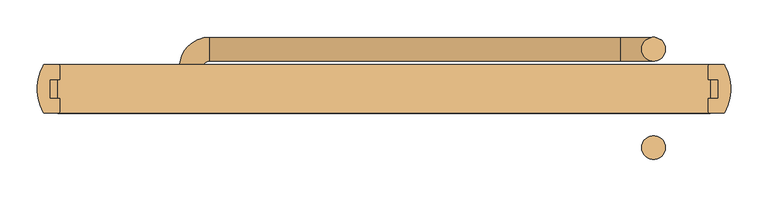
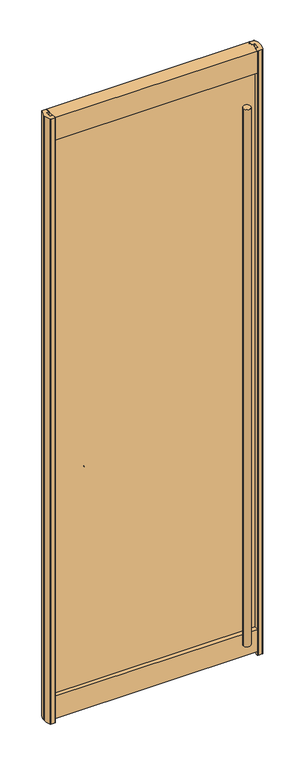
"""IFC4 building model written with IfcOpenShell, lengths in millimetres: door geometry."""

import ifcopenshell
import ifcopenshell.guid

model = None  # the IFC model being written
_history = None  # IfcOwnerHistory: only IFC2X3 demands one
_inside = {}  # id of a spatial element -> (the spatial element, [elements in it])
_under = {}  # id of a project, library or spatial element -> (it, [spatial elements below it])
_declared = {}  # id of a project -> (the project, [libraries it declares])
_typed = {}  # id of a type object -> (the type object, [elements of that type])
_made_of = {}  # id of a material, layer set ... -> (it, [elements and type objects made of it])


def new_model(schema):
    """Start an empty IFC model of exactly this schema.

    Asked for "IFC4X3", IfcOpenShell would pick the latest addendum, in which some entities
    have other attributes; the version numbers below select the first issue.
    IFC2X3 requires an IfcOwnerHistory on every rooted entity: one is made here for all.
    """
    global model, _history
    if schema == "IFC4X3":
        model = ifcopenshell.file(schema_version=(4, 3, 0, 0))
    else:
        model = ifcopenshell.file(schema=schema)
    _inside.clear()
    _under.clear()
    _declared.clear()
    _typed.clear()
    _made_of.clear()
    _history = None
    if model.schema == "IFC2X3":
        org = make("IfcOrganization", Name="unknown")
        user = make(
            "IfcPersonAndOrganization",
            ThePerson=make("IfcPerson", FamilyName="unknown"),
            TheOrganization=org,
        )
        app = make(
            "IfcApplication",
            ApplicationDeveloper=org,
            Version="unknown",
            ApplicationFullName="unknown",
            ApplicationIdentifier="unknown",
        )
        _history = make(
            "IfcOwnerHistory",
            OwningUser=user,
            OwningApplication=app,
            ChangeAction="ADDED",
            CreationDate=0,
        )
    return model


def make(cls, **values):
    """One entity of the class cls with the attributes given. An attribute that is None is left unset."""
    return model.create_entity(
        cls, **{name: value for name, value in values.items() if value is not None}
    )


def rooted(cls, **values):
    """An entity with a GlobalId (a new one), such as an element, a storey or a relation."""
    return make(cls, GlobalId=ifcopenshell.guid.new(), OwnerHistory=_history, **values)


def si_unit(unit_type, name, prefix=None):
    """IfcSIUnit, for example si_unit("LENGTHUNIT", "METRE", prefix="MILLI")."""
    return make("IfcSIUnit", UnitType=unit_type, Prefix=prefix, Name=name)


def assignment(units):
    """IfcUnitAssignment: the units of a project."""
    return None if units is None else make("IfcUnitAssignment", Units=units)


def point(xyz):
    """IfcCartesianPoint."""
    return None if xyz is None else make("IfcCartesianPoint", Coordinates=xyz)


def direction(xyz):
    """IfcDirection."""
    return None if xyz is None else make("IfcDirection", DirectionRatios=xyz)


def frame(location, z_axis=None, x_axis=None):
    """IfcAxis2Placement3D, a coordinate frame: its origin and axes. An axis left out is left unset."""
    return make(
        "IfcAxis2Placement3D",
        Location=point(location),
        Axis=direction(z_axis),
        RefDirection=direction(x_axis),
    )


def frame_2d(location, x_axis=None):
    """IfcAxis2Placement2D, a coordinate frame in the plane: its origin and x axis."""
    return make(
        "IfcAxis2Placement2D", Location=point(location), RefDirection=direction(x_axis)
    )


def origin():
    """The frame at (0, 0, 0) with its axes left unset."""
    return frame((0.0, 0.0, 0.0))


def origin_with_axes():
    """The frame at (0, 0, 0) with the z axis (0, 0, 1) and the x axis (1, 0, 0) written out."""
    return frame((0.0, 0.0, 0.0), z_axis=(0.0, 0.0, 1.0), x_axis=(1.0, 0.0, 0.0))


def place(relative_to, where):
    """IfcLocalPlacement: puts the frame where relative to a parent placement (None: the world)."""
    return make(
        "IfcLocalPlacement", PlacementRelTo=relative_to, RelativePlacement=where
    )


def context(
    kind, dimensions, precision=None, world=None, true_north=None, identifier=None
):
    """IfcGeometricRepresentationContext, for example the 3D "Model" context."""
    return make(
        "IfcGeometricRepresentationContext",
        ContextIdentifier=identifier,
        ContextType=kind,
        CoordinateSpaceDimension=dimensions,
        Precision=precision,
        WorldCoordinateSystem=world,
        TrueNorth=true_north,
    )


def project(units=None, contexts=None):
    """IfcProject with its units and contexts."""
    return rooted(
        "IfcProject",
        Name="project",
        RepresentationContexts=contexts,
        UnitsInContext=assignment(units),
    )


def spatial(cls, under=None, at=None, **own):
    """A site, building, storey or space (cls), placed at a placement, below another one or the project."""
    s = rooted(cls, ObjectPlacement=at, **own)
    if under is not None:
        _under.setdefault(under.id(), (under, []))[1].append(s)
    return s


def polyline(points):
    """IfcPolyline through the points."""
    return make("IfcPolyline", Points=[point(p) for p in points])


def circle_curve(where, radius):
    """IfcCircle in the frame where."""
    return make("IfcCircle", Position=where, Radius=radius)


def ellipse_curve(where, semi_axis1, semi_axis2):
    """IfcEllipse in the frame where."""
    return make(
        "IfcEllipse", Position=where, SemiAxis1=semi_axis1, SemiAxis2=semi_axis2
    )


def trimmed(basis, trim1, trim2, sense, master):
    """IfcTrimmedCurve: the piece of a basis curve between two trims."""
    return make(
        "IfcTrimmedCurve",
        BasisCurve=basis,
        Trim1=trim1,
        Trim2=trim2,
        SenseAgreement=sense,
        MasterRepresentation=master,
    )


def segment(curve, same_sense, transition):
    """IfcCompositeCurveSegment."""
    return make(
        "IfcCompositeCurveSegment",
        Transition=transition,
        SameSense=same_sense,
        ParentCurve=curve,
    )


def composite_curve(segments, self_intersect=None):
    """IfcCompositeCurve: segments joined end to end."""
    return make("IfcCompositeCurve", Segments=segments, SelfIntersect=self_intersect)


def outline(outer, holes=None, kind="AREA"):
    """IfcArbitraryClosedProfileDef: a profile drawn as a closed curve; with holes, ...WithVoids."""
    if holes is None:
        return make("IfcArbitraryClosedProfileDef", ProfileType=kind, OuterCurve=outer)
    return make(
        "IfcArbitraryProfileDefWithVoids",
        ProfileType=kind,
        OuterCurve=outer,
        InnerCurves=holes,
    )


def extrude(swept, where, along, depth):
    """IfcExtrudedAreaSolid: the profile swept, set in the frame where, extruded along a direction by depth."""
    return make(
        "IfcExtrudedAreaSolid",
        SweptArea=swept,
        Position=where,
        ExtrudedDirection=direction(along),
        Depth=depth,
    )


def shape(context_of_items, identifier, shape_type, items):
    """IfcShapeRepresentation: the items that make up one representation, for example the "Body"."""
    return make(
        "IfcShapeRepresentation",
        ContextOfItems=context_of_items,
        RepresentationIdentifier=identifier,
        RepresentationType=shape_type,
        Items=items,
    )


def source(mapping_origin, context_of_items, identifier, shape_type, items):
    """IfcRepresentationMap: a shape defined once, which mapped items show again and again."""
    return make(
        "IfcRepresentationMap",
        MappingOrigin=mapping_origin,
        MappedRepresentation=shape(context_of_items, identifier, shape_type, items),
    )


def transform(
    local_origin,
    x_axis=None,
    y_axis=None,
    z_axis=None,
    scale=None,
    scale2=None,
    scale3=None,
    uniform=True,
):
    """IfcCartesianTransformationOperator3D, or its non-uniform kind. x_axis, y_axis, z_axis: its Axis1, 2, 3."""
    if uniform:
        return make(
            "IfcCartesianTransformationOperator3D",
            Axis1=direction(x_axis),
            Axis2=direction(y_axis),
            LocalOrigin=point(local_origin),
            Scale=scale,
            Axis3=direction(z_axis),
        )
    return make(
        "IfcCartesianTransformationOperator3DnonUniform",
        Axis1=direction(x_axis),
        Axis2=direction(y_axis),
        LocalOrigin=point(local_origin),
        Scale=scale,
        Axis3=direction(z_axis),
        Scale2=scale2,
        Scale3=scale3,
    )


def mapped(mapping_source, mapping_target):
    """IfcMappedItem: shows the shape of a source again, moved by a transform."""
    return make(
        "IfcMappedItem", MappingSource=mapping_source, MappingTarget=mapping_target
    )


def made_of(thing, what):
    """Note that an element or type object is made of a material, layer set ...; save() writes the relation."""
    if what is not None:
        _made_of.setdefault(what.id(), (what, []))[1].append(thing)
    return thing


def element(
    cls,
    number,
    at=None,
    inside=None,
    cuts=None,
    type_object=None,
    material=None,
    context=None,
    identifier="Body",
    shape_type=None,
    held_by="IfcProductDefinitionShape",
    body=None,
    shapes=None,
    **own,
):
    """One element of the class cls, such as IfcWall. Its Tag is "e" and its number.

    at: its placement. inside: the storey or other place that contains it. cuts: it is an
    opening in that element (IfcRelVoidsElement). A single representation is given by context,
    identifier, shape_type and body (its items); several are given by shapes. held_by: the class
    of the entity that holds the representations. save() writes the other relations.
    """
    e = rooted(cls, Tag="e%d" % number, ObjectPlacement=at, **own)
    if body is not None:
        shapes = [shape(context, identifier, shape_type, body)]
    if shapes is not None:
        e.Representation = make(held_by, Representations=shapes)
    if inside is not None:
        _inside.setdefault(inside.id(), (inside, []))[1].append(e)
    if cuts is not None:
        rooted(
            "IfcRelVoidsElement", RelatingBuildingElement=cuts, RelatedOpeningElement=e
        )
    if type_object is not None:
        _typed.setdefault(type_object.id(), (type_object, []))[1].append(e)
    return made_of(e, material)


def aggregate(whole, parts):
    """IfcRelAggregates: a whole, such as a stair, and the parts it consists of."""
    return rooted("IfcRelAggregates", RelatingObject=whole, RelatedObjects=parts)


def save(model, path):
    """Write the relations noted so far, then the file.

    IfcRelAggregates (storeys below a building ...), IfcRelContainedInSpatialStructure (elements
    in a storey), IfcRelDefinesByType, IfcRelAssociatesMaterial and IfcRelDeclares: one each for
    every whole, place, type object, material and project.
    """
    for whole, parts in _under.values():
        aggregate(whole, parts)
    for where, things in _inside.values():
        rooted(
            "IfcRelContainedInSpatialStructure",
            RelatedElements=things,
            RelatingStructure=where,
        )
    for kind, things in _typed.values():
        rooted("IfcRelDefinesByType", RelatedObjects=things, RelatingType=kind)
    for what, things in _made_of.values():
        rooted("IfcRelAssociatesMaterial", RelatedObjects=things, RelatingMaterial=what)
    for by, libraries in _declared.values():
        rooted("IfcRelDeclares", RelatingContext=by, RelatedDefinitions=libraries)
    model.write(path)


def plane_surface(at):
    """IfcPlane: the flat surface through the origin of the frame at, square to its z axis."""
    return make("IfcPlane", Position=at)


def cylinder_surface(at, radius):
    """IfcCylindricalSurface: all points at the distance radius from the z axis of the frame at."""
    return make("IfcCylindricalSurface", Position=at, Radius=radius)


def revolved_surface(curve, axis_point, axis_direction):
    """IfcSurfaceOfRevolution: the curve turned about the line through axis_point along axis_direction."""
    return make(
        "IfcSurfaceOfRevolution",
        SweptCurve=make("IfcArbitraryOpenProfileDef", ProfileType="CURVE", Curve=curve),
        AxisPosition=make("IfcAxis1Placement", Location=point(axis_point), Axis=direction(axis_direction)),
    )


def advanced_brep(points, edges, surfaces, faces):
    """IfcAdvancedBrep: a solid bounded by faces that lie on surfaces and meet in shared edges.

    An edge is (start, end): straight between two places in points (the first is 0);
    or (start, end, curve); or (start, end, curve, False) where it runs against its curve.
    A face is (place in surfaces, loops), or (place, loops, False) where it looks against
    its surface's normal. A loop lists edges by number (the first is 1), with a minus sign
    where the edge is run from its end to its start. The first loop is the outer one.
    """
    corners = [point(p) for p in points]
    vertices = [make("IfcVertexPoint", VertexGeometry=c) for c in corners]
    made = []
    for start, end, *more in edges:
        made.append(
            make(
                "IfcEdgeCurve",
                EdgeStart=vertices[start],
                EdgeEnd=vertices[end],
                EdgeGeometry=more[0] if more else make("IfcPolyline", Points=[corners[start], corners[end]]),
                SameSense=more[1] if len(more) > 1 else True,
            )
        )
    hull = []
    for where, loops, *sense in faces:
        bounds = []
        for j, loop in enumerate(loops):
            ring = [make("IfcOrientedEdge", EdgeElement=made[abs(k) - 1], Orientation=k > 0) for k in loop]
            bounds.append(
                make(
                    "IfcFaceOuterBound" if j == 0 else "IfcFaceBound",
                    Bound=make("IfcEdgeLoop", EdgeList=ring),
                    Orientation=True,
                )
            )
        hull.append(make("IfcAdvancedFace", Bounds=bounds, FaceSurface=surfaces[where], SameSense=sense[0] if sense else True))
    return make("IfcAdvancedBrep", Outer=make("IfcClosedShell", CfsFaces=hull))


def door_ddbb228a(model_context):
    return source(origin(), model_context, "Body", "SolidModel", [
        extrude(outline(composite_curve([segment(trimmed(circle_curve(frame_2d((360.426, 53.1813703)), 15.875), [point((344.551, 53.1813703))], [point((376.301, 53.1813703))], False, "CARTESIAN"), True, "CONTINUOUS"), segment(trimmed(circle_curve(frame_2d((360.426, 53.1813703)), 15.875), [point((376.301, 53.1813703))], [point((344.551, 53.1813703))], False, "CARTESIAN"), True, "CONTINUOUS")], self_intersect=False)), frame((0.0, 0.0, 2108.2), z_axis=(0.0, 0.0, 1.0), x_axis=(1.0, 0.0, 0.0)), (0.0, 0.0, 1.0), 431.8),
        extrude(outline(composite_curve([segment(trimmed(circle_curve(frame_2d((360.426, -78.58125)), 15.875), [point((344.551, -78.58125))], [point((376.301, -78.58125))], False, "CARTESIAN"), True, "CONTINUOUS"), segment(trimmed(circle_curve(frame_2d((360.426, -78.58125)), 15.875), [point((376.301, -78.58125))], [point((344.551, -78.58125))], False, "CARTESIAN"), True, "CONTINUOUS")], self_intersect=False)), frame((0.0, 0.0, 104.5539297), z_axis=(0.0, 0.0, 1.0), x_axis=(1.0, 0.0, 0.0)), (0.0, 0.0, 1.0), 2435.4460703),
        advanced_brep(
        [(-241.7672308, 0.0, 1066.8), (-273.5172308, 0.0, 1066.8), (360.426, 37.3063703, 2108.2), (360.426, 69.0563703, 2108.2), (-241.7672308, 29.2459994, 1066.8), (-273.5172308, 29.2459994, 1066.8), (-233.7068599, 69.0563703, 1066.8), (-233.7068599, 37.3063703, 1066.8), (315.976, 37.3063703, 1066.8), (315.976, 69.0563703, 1066.8), (360.426, 69.0563703, 1111.25), (360.426, 37.3063703, 1111.25)],
        [
            (0, 1, circle_curve(frame((-257.6422308, 0.0, 1066.8), z_axis=(0.0, -1.0, 0.0), x_axis=(-1.0, 0.0, 0.0)), 15.875)),
            (1, 0, circle_curve(frame((-257.6422308, 0.0, 1066.8), z_axis=(0.0, -1.0, 0.0), x_axis=(-1.0, 0.0, 0.0)), 15.875)),
            (2, 3, circle_curve(frame((360.426, 53.1813703, 2108.2), z_axis=(0.0, 0.0, 1.0), x_axis=(0.0, 1.0, 0.0)), 15.875)),
            (3, 2, circle_curve(frame((360.426, 53.1813703, 2108.2), z_axis=(0.0, 0.0, 1.0), x_axis=(0.0, 1.0, 0.0)), 15.875)),
            (0, 4),
            (4, 5, circle_curve(frame((-257.6422308, 29.2459994, 1066.8), z_axis=(0.0, -1.0, 0.0), x_axis=(-1.0, 0.0, 0.0)), 15.875)),
            (5, 1),
            (5, 4, circle_curve(frame((-257.6422308, 29.2459994, 1066.8), z_axis=(0.0, -1.0, 0.0), x_axis=(-1.0, 0.0, 0.0)), 15.875)),
            (6, 5, circle_curve(frame((-233.7068599, 29.2459994, 1066.8), z_axis=(0.0, 0.0, 1.0), x_axis=(-1.0, 0.0, 0.0)), 39.8103709)),
            (4, 7, circle_curve(frame((-233.7068599, 29.2459994, 1066.8), z_axis=(0.0, 0.0, -1.0), x_axis=(-1.0, 0.0, 0.0)), 8.0603709)),
            (7, 6, circle_curve(frame((-233.7068599, 53.1813703, 1066.8), z_axis=(-1.0, 0.0, 0.0), x_axis=(0.0, 1.0, 0.0)), 15.875)),
            (6, 7, circle_curve(frame((-233.7068599, 53.1813703, 1066.8), z_axis=(-1.0, 0.0, 0.0), x_axis=(0.0, 1.0, 0.0)), 15.875)),
            (7, 8),
            (8, 9, circle_curve(frame((315.976, 53.1813703, 1066.8), z_axis=(-1.0, 0.0, 0.0), x_axis=(0.0, 1.0, 0.0)), 15.875)),
            (9, 6),
            (9, 8, circle_curve(frame((315.976, 53.1813703, 1066.8), z_axis=(-1.0, 0.0, 0.0), x_axis=(0.0, 1.0, 0.0)), 15.875)),
            (10, 9, circle_curve(frame((315.976, 69.0563703, 1111.25), z_axis=(0.0, 1.0, 0.0), x_axis=(0.0, 0.0, -1.0)), 44.45)),
            (8, 11, circle_curve(frame((315.976, 37.3063703, 1111.25), z_axis=(0.0, -1.0, 0.0), x_axis=(0.0, 0.0, -1.0)), 44.45)),
            (11, 10, circle_curve(frame((360.426, 53.1813703, 1111.25), z_axis=(0.0, 0.0, -1.0), x_axis=(0.0, 1.0, 0.0)), 15.875)),
            (10, 11, circle_curve(frame((360.426, 53.1813703, 1111.25), z_axis=(0.0, 0.0, -1.0), x_axis=(0.0, 1.0, 0.0)), 15.875)),
            (11, 2),
            (3, 10),
        ],
        [
            plane_surface(frame((-273.5172308, 0.0, 1066.8), z_axis=(0.0, -1.0, 0.0), x_axis=(0.0, 0.0, 1.0))),
            plane_surface(frame((360.426, 37.3061297, 2108.2), z_axis=(0.0, 0.0, 1.0), x_axis=(1.0, 0.0, 0.0))),
            cylinder_surface(frame((-257.6422308, 0.0, 1066.8), z_axis=(0.0, -1.0, 0.0), x_axis=(-1.0, 0.0, 0.0)), 15.875),
            revolved_surface(trimmed(ellipse_curve(frame((-257.6422308, 29.2459994, 1066.8), z_axis=(0.0, -1.0, 0.0), x_axis=(-1.0, 0.0, 0.0)), 15.875, 15.875), [point((-241.7672308, 29.2459994, 1066.8))], [point((-273.5172308, 29.2459994, 1066.8))], True, "CARTESIAN"), (-233.7068599, 29.2459994, 1066.8), (0.0, 0.0, -1.0)),
            revolved_surface(trimmed(ellipse_curve(frame((-257.6422308, 29.2459994, 1066.8), z_axis=(0.0, -1.0, 0.0), x_axis=(-1.0, 0.0, 0.0)), 15.875, 15.875), [point((-273.5172308, 29.2459994, 1066.8))], [point((-241.7672308, 29.2459994, 1066.8))], True, "CARTESIAN"), (-233.7068599, 29.2459994, 1066.8), (0.0, 0.0, -1.0)),
            cylinder_surface(frame((-233.7068599, 53.1813703, 1066.8), z_axis=(-1.0, 0.0, 0.0), x_axis=(0.0, 1.0, 0.0)), 15.875),
            revolved_surface(trimmed(ellipse_curve(frame((315.976, 53.1813703, 1066.8), z_axis=(-1.0, 0.0, 0.0), x_axis=(0.0, 1.0, 0.0)), 15.875, 15.875), [point((315.976, 37.3063703, 1066.8))], [point((315.976, 69.0563703, 1066.8))], True, "CARTESIAN"), (315.976, 53.18125, 1111.25), (0.0, -1.0, 0.0)),
            revolved_surface(trimmed(ellipse_curve(frame((315.976, 53.1813703, 1066.8), z_axis=(-1.0, 0.0, 0.0), x_axis=(0.0, 1.0, 0.0)), 15.875, 15.875), [point((315.976, 69.0563703, 1066.8))], [point((315.976, 37.3063703, 1066.8))], True, "CARTESIAN"), (315.976, 53.18125, 1111.25), (0.0, -1.0, 0.0)),
            cylinder_surface(frame((360.426, 53.1813703, 1111.25), z_axis=(0.0, 0.0, -1.0), x_axis=(0.0, 1.0, 0.0)), 15.875),
        ],
        [
            (0, [[1, 2]]),
            (1, [[3, 4]]),
            (2, [[-1, 5, 6, 7]]),
            (2, [[-2, -7, 8, -5]]),
            (3, [[9, -6, 10, 11]]),
            (4, [[-10, -8, -9, 12]]),
            (5, [[-11, 13, 14, 15]]),
            (5, [[-12, -15, 16, -13]]),
            (6, [[17, -14, 18, 19]]),
            (7, [[-18, -16, -17, 20]]),
            (8, [[-19, 21, -4, 22]]),
            (8, [[-20, -22, -3, -21]]),
        ],
    ),
        extrude(outline(composite_curve([segment(polyline([(454.238706, -32.3601726), (435.459115, -32.3601726)]), True, "CONTINUOUS"), segment(trimmed(circle_curve(frame_2d((435.459115, -30.6583726)), 1.7018), [point((435.459115, -32.3601726))], [point((433.757315, -30.6583726))], False, "CARTESIAN"), True, "CONTINUOUS"), segment(polyline([(433.757315, -30.6583726), (433.757315, -12.7), (446.8060233, -12.7), (446.8060233, 12.7), (433.757315, 12.7), (433.757315, 30.6583726)]), True, "CONTINUOUS"), segment(trimmed(circle_curve(frame_2d((435.459115, 30.6583726)), 1.7018), [point((433.757315, 30.6583726))], [point((435.459115, 32.3601726))], False, "CARTESIAN"), True, "CONTINUOUS"), segment(polyline([(435.459115, 32.3601726), (454.238706, 32.3601726)]), True, "CONTINUOUS"), segment(trimmed(circle_curve(frame_2d((454.238706, 30.6583726)), 1.7018), [point((454.238706, 32.3601726))], [point((455.7431038, 31.4539294))], False, "CARTESIAN"), True, "CONTINUOUS"), segment(trimmed(circle_curve(frame_2d((396.2632583, -0.0002496)), 67.2846), [point((455.7431038, 31.4539294))], [point((463.4451209, 3.7165681))], False, "CARTESIAN"), True, "CONTINUOUS"), segment(polyline([(463.4451209, 3.7165681), (463.4451209, -3.7165681)]), True, "CONTINUOUS"), segment(trimmed(circle_curve(frame_2d((396.2632583, 0.0002496)), 67.2846), [point((463.4451209, -3.7165681))], [point((455.7431038, -31.4539294))], False, "CARTESIAN"), True, "CONTINUOUS"), segment(trimmed(circle_curve(frame_2d((454.238706, -30.6583726)), 1.7018), [point((455.7431038, -31.4539294))], [point((454.238706, -32.3601726))], False, "CARTESIAN"), True, "CONTINUOUS")], self_intersect=False)), origin_with_axes(), (0.0, 0.0, 1.0), 2743.2),
        extrude(outline(composite_curve([segment(trimmed(circle_curve(frame_2d((-454.238706, -30.6583726)), 1.7018), [point((-454.238706, -32.3601726))], [point((-455.7431038, -31.4539294))], False, "CARTESIAN"), True, "CONTINUOUS"), segment(trimmed(circle_curve(frame_2d((-396.2632583, 0.0002496)), 67.2846), [point((-455.7431038, -31.4539294))], [point((-463.4451209, -3.7165681))], False, "CARTESIAN"), True, "CONTINUOUS"), segment(polyline([(-463.4451209, -3.7165681), (-463.4451209, 3.7165681)]), True, "CONTINUOUS"), segment(trimmed(circle_curve(frame_2d((-396.2632583, -0.0002496)), 67.2846), [point((-463.4451209, 3.7165681))], [point((-455.7431038, 31.4539294))], False, "CARTESIAN"), True, "CONTINUOUS"), segment(trimmed(circle_curve(frame_2d((-454.238706, 30.6583726)), 1.7018), [point((-455.7431038, 31.4539294))], [point((-454.238706, 32.3601726))], False, "CARTESIAN"), True, "CONTINUOUS"), segment(polyline([(-454.238706, 32.3601726), (-435.459115, 32.3601726)]), True, "CONTINUOUS"), segment(trimmed(circle_curve(frame_2d((-435.459115, 30.6583726)), 1.7018), [point((-435.459115, 32.3601726))], [point((-433.757315, 30.6583726))], False, "CARTESIAN"), True, "CONTINUOUS"), segment(polyline([(-433.757315, 30.6583726), (-433.757315, 12.7), (-446.8060233, 12.7), (-446.8060233, -12.7), (-433.757315, -12.7), (-433.757315, -30.6583726)]), True, "CONTINUOUS"), segment(trimmed(circle_curve(frame_2d((-435.459115, -30.6583726)), 1.7018), [point((-433.757315, -30.6583726))], [point((-435.459115, -32.3601726))], False, "CARTESIAN"), True, "CONTINUOUS"), segment(polyline([(-435.459115, -32.3601726), (-454.238706, -32.3601726)]), True, "CONTINUOUS")], self_intersect=False)), origin_with_axes(), (0.0, 0.0, 1.0), 2743.2),
        extrude(outline(polyline([(446.9744024, -12.7), (-446.8455312, -12.7), (-446.8455312, 12.7), (446.9744024, 12.7), (446.9744024, -12.7)])), frame((0.0, 0.0, 17.4625), z_axis=(0.0, 0.0, 1.0), x_axis=(1.0, 0.0, 0.0)), (0.0, 0.0, 1.0), 2636.8375),
        extrude(outline(polyline([(-12.7, 119.0625), (-12.7, 106.3625), (12.7, 106.3625), (12.7, 119.0625), (32.3601726, 119.0625), (32.3601726, 17.4625), (-32.3601726, 17.4625), (-32.3601726, 119.0625), (-12.7, 119.0625)])), frame((-436.322715, 0.0, 0.0), z_axis=(1.0, 0.0, 0.0), x_axis=(0.0, 1.0, 0.0)), (0.0, 0.0, 1.0), 872.6454299),
        extrude(outline(polyline([(32.3601726, 2743.2), (32.3601726, 2641.6), (12.7, 2641.6), (12.7, 2654.3), (-12.7, 2654.3), (-12.7, 2641.6), (-32.3601726, 2641.6), (-32.3601726, 2743.2), (32.3601726, 2743.2)])), frame((-436.322715, 0.0, 0.0), z_axis=(1.0, 0.0, 0.0), x_axis=(0.0, 1.0, 0.0)), (0.0, 0.0, 1.0), 872.6454299),
    ])


if __name__ == "__main__":
    model = new_model("IFC4")
    model_context = context("Model", 3, world=origin())
    ifc_project = project(units=[si_unit("LENGTHUNIT", "METRE", prefix="MILLI")], contexts=[model_context])
    site = spatial("IfcSite", under=ifc_project)
    building = spatial("IfcBuilding", under=site)
    placement = place(None, origin())
    door_shape = door_ddbb228a(model_context)
    element("IfcDoor", 1, at=placement, inside=building, context=model_context, shape_type="MappedRepresentation", body=[
        mapped(door_shape, transform((0.0, 0.0, 0.0), x_axis=(1.0, 0.0, 0.0), y_axis=(0.0, 1.0, 0.0), z_axis=(0.0, 0.0, 1.0))),
    ])
    save(model, "model.ifc")
